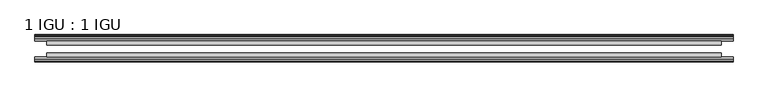
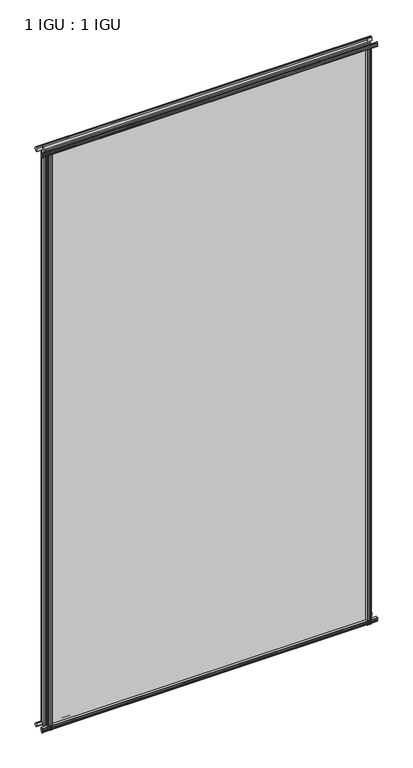
"""IFC4 building model written with IfcOpenShell, lengths in millimetres: plate geometry, 1 IGU : 1 IGU."""

from ifc_helpers import new_model, si_unit, point, frame, frame_2d, origin, place, context, project, spatial, polyline, circle_curve, trimmed, segment, composite_curve, outline, extrude, source, transform, mapped, element, save


def plate_1_igu_1_igu_b9d15ee2(model_context):
    return source(origin(), model_context, "Body", "SweptSolid", [
        extrude(outline(composite_curve([segment(polyline([(-46.2359545, 2001.8775265), (-46.2359545, 1990.8553092), (-53.3197108, 1992.2226185)]), True, "CONTINUOUS"), segment(trimmed(circle_curve(frame_2d((-53.1447545, 1993.2234413)), 1.016), [point((-53.3197108, 1992.2226185))], [point((-53.8888005, 1993.9152878))], False, "CARTESIAN"), True, "CONTINUOUS"), segment(polyline([(-53.8888005, 1993.9152878), (-52.5859205, 1993.7314413), (-52.5859205, 1999.1416413), (-54.0652165, 1999.4024811), (-52.5859205, 2001.9864413), (-52.5859205, 2005.1614413)]), True, "CONTINUOUS"), segment(trimmed(circle_curve(frame_2d((-51.3159205, 2005.1614413)), 1.27), [point((-52.5859205, 2005.1614413))], [point((-50.4178949, 2006.059467))], False, "CARTESIAN"), True, "CONTINUOUS"), segment(polyline([(-50.4178949, 2006.059467), (-46.2359545, 2001.8775265)]), True, "CONTINUOUS")], self_intersect=False)), frame((-553.161028, 0.0, 0.0), z_axis=(1.0, 0.0, 0.0), x_axis=(0.0, 1.0, 0.0)), (0.0, 0.0, 1.0), 1106.322056),
        extrude(outline(polyline([(-17.4323375, 2006.3139519), (-14.4859375, 2006.3139519), (-14.4859375, 2001.8689519), (-12.1057405, 2001.4879519), (-12.5656738, 2002.903481), (-11.7644596, 2002.903481), (-11.0569375, 2000.7259519), (-11.7644596, 1998.5484229), (-12.5656738, 1998.5484229), (-12.1057405, 1999.9639519), (-14.4859375, 1999.5829519), (-14.4859375, 1994.3759519), (-20.8359545, 1992.6582293), (-20.8359545, 2003.4795957), (-17.4323375, 2006.3139519)])), frame((-553.161028, 0.0, 0.0), z_axis=(1.0, 0.0, 0.0), x_axis=(0.0, 1.0, 0.0)), (0.0, 0.0, 1.0), 1106.322056),
        extrude(outline(polyline([(-20.8359545, 1.2049602), (-14.4859375, -0.5127625), (-14.4859375, -5.7197625), (-12.1057405, -6.1007625), (-12.5656738, -4.6852334), (-11.7644596, -4.6852334), (-11.0569375, -6.8627625), (-11.7644596, -9.0402916), (-12.5656738, -9.0402916), (-12.1057405, -7.6247625), (-14.4859375, -8.0057625), (-14.4859375, -12.4507625), (-17.4323375, -12.4507625), (-20.8359545, -9.6164062), (-20.8359545, 1.2049602)])), frame((-553.161028, 0.0, 0.0), z_axis=(1.0, 0.0, 0.0), x_axis=(0.0, 1.0, 0.0)), (0.0, 0.0, 1.0), 1106.322056),
        extrude(outline(composite_curve([segment(polyline([(-53.3197108, 1.6405709), (-46.2359545, 3.0078803), (-46.2359545, -8.014337), (-50.4178949, -12.1962775)]), True, "CONTINUOUS"), segment(trimmed(circle_curve(frame_2d((-51.3159205, -11.2982519)), 1.27), [point((-50.4178949, -12.1962775))], [point((-52.5859205, -11.2982519))], False, "CARTESIAN"), True, "CONTINUOUS"), segment(polyline([(-52.5859205, -11.2982519), (-52.5859205, -8.1232519), (-54.0652165, -5.5392917), (-52.5859205, -5.2784519), (-52.5859205, 0.1317481), (-53.8888005, -0.0520983)]), True, "CONTINUOUS"), segment(trimmed(circle_curve(frame_2d((-53.1447545, 0.6397481)), 1.016), [point((-53.8888005, -0.0520983))], [point((-53.3197108, 1.6405709))], False, "CARTESIAN"), True, "CONTINUOUS")], self_intersect=False)), frame((-553.161028, 0.0, 0.0), z_axis=(1.0, 0.0, 0.0), x_axis=(0.0, 1.0, 0.0)), (0.0, 0.0, 1.0), 1106.322056),
        extrude(outline(polyline([(-529.0605082, -12.1057405), (-530.4760373, -12.5656738), (-530.4760373, -11.7644596), (-528.2985082, -11.0569375), (-526.1209792, -11.7644596), (-526.1209792, -12.5656738), (-527.5365082, -12.1057405), (-527.1555082, -14.4859375), (-521.9485082, -14.4859375), (-520.2307902, -20.8359375), (-531.0521661, -20.8359375), (-533.8865082, -17.4323375), (-533.8865082, -14.4859375), (-529.4415082, -14.4859375), (-529.0605082, -12.1057405)])), frame((0.0, 0.0, -12.6752823), z_axis=(0.0, 0.0, 1.0), x_axis=(1.0, 0.0, 0.0)), (0.0, 0.0, 1.0), 2006.5384717),
        extrude(outline(composite_curve([segment(polyline([(-529.4500658, -46.2359375), (-518.4278622, -46.2359375), (-519.7951748, -53.3197108)]), True, "CONTINUOUS"), segment(trimmed(circle_curve(frame_2d((-520.7959976, -53.1447545)), 1.016), [point((-519.7951748, -53.3197108))], [point((-521.4878441, -53.8888005))], False, "CARTESIAN"), True, "CONTINUOUS"), segment(polyline([(-521.4878441, -53.8888005), (-521.3039976, -52.5859205), (-526.7141976, -52.5859205), (-526.9750374, -54.0652165), (-529.5589976, -52.5859205), (-532.7339976, -52.5859205)]), True, "CONTINUOUS"), segment(trimmed(circle_curve(frame_2d((-532.7339976, -51.3159205)), 1.27), [point((-532.7339976, -52.5859205))], [point((-533.6320233, -50.4178949))], False, "CARTESIAN"), True, "CONTINUOUS"), segment(polyline([(-533.6320233, -50.4178949), (-529.4500658, -46.2359375)]), True, "CONTINUOUS")], self_intersect=False)), frame((0.0, 0.0, -12.6752823), z_axis=(0.0, 0.0, 1.0), x_axis=(1.0, 0.0, 0.0)), (0.0, 0.0, 1.0), 2006.5384717),
        extrude(outline(composite_curve([segment(polyline([(519.7951748, -53.3197108), (518.4278622, -46.2359375), (529.4500658, -46.2359375), (533.6320233, -50.4178949)]), True, "CONTINUOUS"), segment(trimmed(circle_curve(frame_2d((532.7339976, -51.3159205)), 1.27), [point((533.6320233, -50.4178949))], [point((532.7339976, -52.5859205))], False, "CARTESIAN"), True, "CONTINUOUS"), segment(polyline([(532.7339976, -52.5859205), (529.5589976, -52.5859205), (526.9750374, -54.0652165), (526.7141976, -52.5859205), (521.3039976, -52.5859205), (521.5269611, -53.8504091)]), True, "CONTINUOUS"), segment(trimmed(circle_curve(frame_2d((520.7959976, -53.1447545)), 1.016), [point((521.5269611, -53.8504091))], [point((519.7951748, -53.3197108))], False, "CARTESIAN"), True, "CONTINUOUS")], self_intersect=False)), frame((0.0, 0.0, -12.6752823), z_axis=(0.0, 0.0, 1.0), x_axis=(1.0, 0.0, 0.0)), (0.0, 0.0, 1.0), 2006.5384717),
        extrude(outline(polyline([(526.1209792, -11.7644596), (528.2985082, -11.0569375), (530.4760373, -11.7644596), (530.4760373, -12.5656738), (529.0605082, -12.1057405), (529.4415082, -14.4859375), (533.8865082, -14.4859375), (533.8865082, -17.4323375), (531.0521661, -20.8359375), (520.2307902, -20.8359375), (521.9485082, -14.4859375), (527.1555082, -14.4859375), (527.5365082, -12.1057405), (526.1209792, -12.5656738), (526.1209792, -11.7644596)])), frame((0.0, 0.0, -12.6752823), z_axis=(0.0, 0.0, 1.0), x_axis=(1.0, 0.0, 0.0)), (0.0, 0.0, 1.0), 2006.5384717),
        extrude(outline(polyline([(534.111028, -20.8359375), (534.111028, -27.1859375), (-534.111028, -27.1859375), (-534.111028, -20.8359375), (534.111028, -20.8359375)])), frame((0.0, 0.0, -12.6752823), z_axis=(0.0, 0.0, 1.0), x_axis=(1.0, 0.0, 0.0)), (0.0, 0.0, 1.0), 2019.213754),
        extrude(outline(polyline([(-534.111028, -46.2359375), (-534.111028, -39.8859375), (534.111028, -39.8859375), (534.111028, -46.2359375), (-534.111028, -46.2359375)])), frame((0.0, 0.0, -12.6752823), z_axis=(0.0, 0.0, 1.0), x_axis=(1.0, 0.0, 0.0)), (0.0, 0.0, 1.0), 2019.213754),
    ])


if __name__ == "__main__":
    model = new_model("IFC4")
    model_context = context("Model", 3, world=origin())
    ifc_project = project(units=[si_unit("LENGTHUNIT", "METRE", prefix="MILLI")], contexts=[model_context])
    site = spatial("IfcSite", under=ifc_project)
    building = spatial("IfcBuilding", under=site)
    placement = place(None, origin())
    plate_1_igu_1_igu_shape = plate_1_igu_1_igu_b9d15ee2(model_context)
    element("IfcPlate", 1, ObjectType="1 IGU : 1 IGU", at=placement, inside=building, context=model_context, shape_type="MappedRepresentation", body=[
        mapped(plate_1_igu_1_igu_shape, transform((0.0, 0.0, 0.0), x_axis=(1.0, 0.0, 0.0), y_axis=(0.0, 1.0, 0.0), z_axis=(0.0, 0.0, 1.0))),
    ])
    save(model, "model.ifc")
